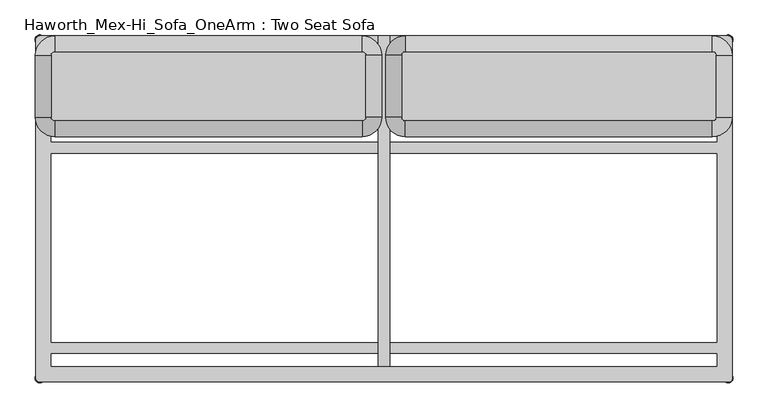
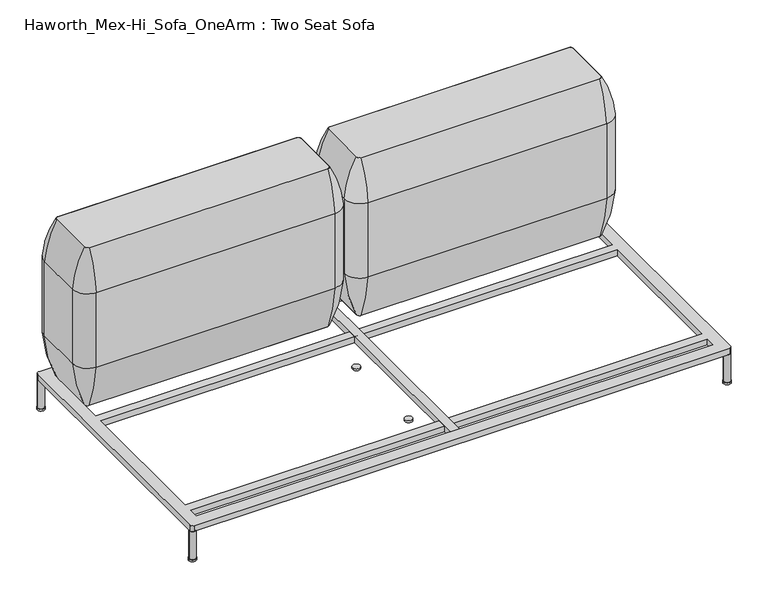
"""IFC4 building model written with IfcOpenShell, lengths in millimetres: furniture geometry, Haworth_Mex-Hi_Sofa_OneArm : Two Seat Sofa."""

from ifc_helpers import new_model, si_unit, point, frame, frame_2d, origin, origin_with_axes, place, context, project, spatial, polyline, circle_curve, ellipse_curve, trimmed, segment, composite_curve, outline, extrude, source, transform, mapped, element, save
from ifc_brep_helpers import plane_surface, cylinder_surface, revolved_surface, advanced_brep


def haworth_mex_hi_sofa_onearm_two_seat_sofa_a5a213db(model_context):
    return source(origin(), model_context, "Body", "SolidModel", [
        extrude(outline(composite_curve([segment(trimmed(circle_curve(frame_2d((-155.4452882, -433.7002937)), 12.5000005), [point((-167.9452886, -433.7002937))], [point((-142.9452877, -433.7002937))], False, "CARTESIAN"), True, "CONTINUOUS"), segment(trimmed(circle_curve(frame_2d((-155.4452882, -433.7002937)), 12.5000005), [point((-142.9452877, -433.7002937))], [point((-167.9452886, -433.7002937))], False, "CARTESIAN"), True, "CONTINUOUS")], self_intersect=False)), origin_with_axes(), (0.0, 0.0, 1.0), 6.0),
        extrude(outline(composite_curve([segment(trimmed(circle_curve(frame_2d((-155.4452882, -133.6667163)), 12.5000005), [point((-167.9452886, -133.6667163))], [point((-142.9452877, -133.6667163))], False, "CARTESIAN"), True, "CONTINUOUS"), segment(trimmed(circle_curve(frame_2d((-155.4452882, -133.6667163)), 12.5000005), [point((-142.9452877, -133.6667163))], [point((-167.9452886, -133.6667163))], False, "CARTESIAN"), True, "CONTINUOUS")], self_intersect=False)), origin_with_axes(), (0.0, 0.0, 1.0), 6.0),
        extrude(outline(polyline([(-169.7406049, -696.2002953), (-169.7406049, 153.6358637), (-139.7406192, 153.6358637), (-139.7406192, -696.2002953), (-169.7406049, -696.2002953)])), frame((0.0, 0.0, 103.6569541), z_axis=(0.0, 0.0, 1.0), x_axis=(1.0, 0.0, 0.0)), (0.0, 0.0, 1.0), 20.3430443),
        extrude(outline(composite_curve([segment(trimmed(circle_curve(frame_2d((-1040.100311, 143.787786)), 12.5000005), [point((-1052.6003115, 143.787786))], [point((-1027.6003105, 143.787786))], False, "CARTESIAN"), True, "CONTINUOUS"), segment(trimmed(circle_curve(frame_2d((-1040.100311, 143.787786)), 12.5000005), [point((-1027.6003105, 143.787786))], [point((-1052.6003115, 143.787786))], False, "CARTESIAN"), True, "CONTINUOUS")], self_intersect=False)), origin_with_axes(), (0.0, 0.0, 1.0), 6.0),
        extrude(outline(composite_curve([segment(trimmed(circle_curve(frame_2d((-1040.100311, -726.2491859)), 12.5000005), [point((-1052.6003115, -726.2491859))], [point((-1027.6003105, -726.2491859))], False, "CARTESIAN"), True, "CONTINUOUS"), segment(trimmed(circle_curve(frame_2d((-1040.100311, -726.2491859)), 12.5000005), [point((-1027.6003105, -726.2491859))], [point((-1052.6003115, -726.2491859))], False, "CARTESIAN"), True, "CONTINUOUS")], self_intersect=False)), origin_with_axes(), (0.0, 0.0, 1.0), 6.0),
        extrude(outline(composite_curve([segment(trimmed(circle_curve(frame_2d((730.7972347, 143.787786)), 12.5000005), [point((718.2972342, 143.787786))], [point((743.2972352, 143.787786))], False, "CARTESIAN"), True, "CONTINUOUS"), segment(trimmed(circle_curve(frame_2d((730.7972347, 143.787786)), 12.5000005), [point((743.2972352, 143.787786))], [point((718.2972342, 143.787786))], False, "CARTESIAN"), True, "CONTINUOUS")], self_intersect=False)), origin_with_axes(), (0.0, 0.0, 1.0), 6.0),
        extrude(outline(composite_curve([segment(trimmed(circle_curve(frame_2d((730.7026028, -726.2033172)), 12.5000005), [point((718.2026024, -726.2033172))], [point((743.2026033, -726.2033172))], False, "CARTESIAN"), True, "CONTINUOUS"), segment(trimmed(circle_curve(frame_2d((730.7026028, -726.2033172)), 12.5000005), [point((743.2026033, -726.2033172))], [point((718.2026024, -726.2033172))], False, "CARTESIAN"), True, "CONTINUOUS")], self_intersect=False)), origin_with_axes(), (0.0, 0.0, 1.0), 6.0),
        extrude(outline(composite_curve([segment(trimmed(circle_curve(frame_2d((-1040.100311, 143.787786)), 10.4664203), [point((-1050.5667314, 143.787786))], [point((-1029.6338907, 143.787786))], False, "CARTESIAN"), True, "CONTINUOUS"), segment(trimmed(circle_curve(frame_2d((-1040.100311, 143.787786)), 10.4664203), [point((-1029.6338907, 143.787786))], [point((-1050.5667314, 143.787786))], False, "CARTESIAN"), True, "CONTINUOUS")], self_intersect=False)), origin_with_axes(), (0.0, 0.0, 1.0), 103.6569541),
        extrude(outline(composite_curve([segment(trimmed(circle_curve(frame_2d((730.7717227, -726.1628448)), 10.4664203), [point((720.3053024, -726.1628448))], [point((741.2381431, -726.1628448))], False, "CARTESIAN"), True, "CONTINUOUS"), segment(trimmed(circle_curve(frame_2d((730.7717227, -726.1628448)), 10.4664203), [point((741.2381431, -726.1628448))], [point((720.3053024, -726.1628448))], False, "CARTESIAN"), True, "CONTINUOUS")], self_intersect=False)), origin_with_axes(), (0.0, 0.0, 1.0), 103.6569541),
        extrude(outline(composite_curve([segment(trimmed(circle_curve(frame_2d((730.8502147, 143.7799368)), 10.4664203), [point((720.3837944, 143.7799368))], [point((741.316635, 143.7799368))], False, "CARTESIAN"), True, "CONTINUOUS"), segment(trimmed(circle_curve(frame_2d((730.8502147, 143.7799368)), 10.4664203), [point((741.316635, 143.7799368))], [point((720.3837944, 143.7799368))], False, "CARTESIAN"), True, "CONTINUOUS")], self_intersect=False)), origin_with_axes(), (0.0, 0.0, 1.0), 103.6569541),
        extrude(outline(composite_curve([segment(trimmed(circle_curve(frame_2d((-1040.0289857, -726.0945909)), 10.4664203), [point((-1050.4954061, -726.0945909))], [point((-1029.5625654, -726.0945909))], False, "CARTESIAN"), True, "CONTINUOUS"), segment(trimmed(circle_curve(frame_2d((-1040.0289857, -726.0945909)), 10.4664203), [point((-1029.5625654, -726.0945909))], [point((-1050.4954061, -726.0945909))], False, "CARTESIAN"), True, "CONTINUOUS")], self_intersect=False)), origin_with_axes(), (0.0, 0.0, 1.0), 103.6569541),
        extrude(outline(composite_curve([segment(polyline([(-1040.5463796, 153.6358637), (731.0651554, 153.6358637)]), True, "CONTINUOUS"), segment(trimmed(circle_curve(frame_2d((731.0651554, 144.0819322)), 9.5539314), [point((731.0651554, 153.6358637))], [point((740.6190868, 144.0819322))], False, "CARTESIAN"), True, "CONTINUOUS"), segment(polyline([(740.6190868, 144.0819322), (740.6190868, -728.9954927)]), True, "CONTINUOUS"), segment(trimmed(circle_curve(frame_2d((733.4261728, -728.9954927)), 7.192914), [point((740.6190868, -728.9954927))], [point((733.4261728, -736.1884068))], False, "CARTESIAN"), True, "CONTINUOUS"), segment(polyline([(733.4261728, -736.1884068), (-1040.2975349, -736.1884068)]), True, "CONTINUOUS"), segment(trimmed(circle_curve(frame_2d((-1040.2975349, -726.3856306)), 9.8027761), [point((-1040.2975349, -736.1884068))], [point((-1050.100311, -726.3856306))], False, "CARTESIAN"), True, "CONTINUOUS"), segment(polyline([(-1050.100311, -726.3856306), (-1050.100311, 144.0819322)]), True, "CONTINUOUS"), segment(trimmed(circle_curve(frame_2d((-1040.5463796, 144.0819322)), 9.5539314), [point((-1050.100311, 144.0819322))], [point((-1040.5463796, 153.6358637))], False, "CARTESIAN"), True, "CONTINUOUS")], self_intersect=False), holes=[polyline([(-1010.1122296, -663.7579623), (-1010.1122296, -696.2002953), (700.7208076, -696.2002953), (700.7208076, -663.7579623), (-1010.1122296, -663.7579623)]), polyline([(-1010.1122296, 113.7997046), (-1010.1122296, 81.2997034), (700.7208076, 81.2997034), (700.7208076, 113.7997046), (-1010.1122296, 113.7997046)]), polyline([(-1010.1122296, -148.700302), (-1010.1122296, -633.7579584), (700.7208076, -633.7579584), (700.7208076, -148.700302), (-1010.1122296, -148.700302)]), polyline([(700.7208076, 51.2996995), (-1010.1122296, 51.2996995), (-1010.1122296, -118.7002981), (700.7208076, -118.7002981), (700.7208076, 51.2996995)])]), frame((0.0, 0.0, 103.6569541), z_axis=(0.0, 0.0, 1.0), x_axis=(1.0, 0.0, 0.0)), (0.0, 0.0, 1.0), 20.3430443),
        advanced_brep(
        [(-1051.4768538, 103.5149266, 283.1115097), (-1051.4768538, -55.2078555, 283.1115097), (-1051.4768538, -55.2078555, 543.4615097), (-1051.4768538, 103.5149266, 543.4615097), (-1010.7505465, 103.5149266, 123.9999984), (-1010.7505465, -55.2078555, 123.9999984), (-1010.7505465, 103.5149266, 676.7599216), (-1010.7505465, -55.2078555, 676.7599216), (-1000.9254713, -105.759238, 283.1115097), (-211.1988444, -105.759238, 283.1115097), (-211.1988444, -105.759238, 543.4615097), (-1000.9254713, -105.759238, 543.4615097), (-1000.9254713, -65.0329307, 123.9999984), (-211.1988444, -65.0329307, 123.9999984), (-1000.9254713, -65.0329307, 676.7599216), (-211.1988444, -65.0329307, 676.7599216), (-160.6474619, -55.2078555, 283.1115097), (-160.6474619, 103.5149266, 283.1115097), (-160.6474619, 103.5149266, 543.4615097), (-160.6474619, -55.2078555, 543.4615097), (-201.3737692, -55.2078555, 123.9999984), (-201.3737692, 103.5149266, 123.9999984), (-201.3737692, -55.2078555, 676.7599216), (-201.3737692, 103.5149266, 676.7599216), (-211.1988444, 154.0663091, 283.1115097), (-1000.9254713, 154.0663091, 283.1115097), (-1000.9254713, 154.0663091, 543.4615097), (-211.1988444, 154.0663091, 543.4615097), (-211.1988444, 113.3400018, 123.9999984), (-1000.9254713, 113.3400018, 123.9999984), (-211.1988444, 113.3400018, 676.7599216), (-1000.9254713, 113.3400018, 676.7599216)],
        [
            (0, 1),
            (1, 2, circle_curve(frame((755.0107884, -55.2078555, 413.2865097), z_axis=(0.0, 1.0, 0.0), x_axis=(-1.0, 0.0, 0.0)), 1811.1717567)),
            (2, 3),
            (3, 0, circle_curve(frame((755.0107884, 103.5149266, 413.2865097), z_axis=(0.0, -1.0, 0.0), x_axis=(-1.0, 0.0, 0.0)), 1811.1717567)),
            (4, 5),
            (5, 1, circle_curve(frame((-590.5337586, -55.2078555, 316.3269417), z_axis=(0.0, 1.0, 0.0), x_axis=(-1.0, 0.0, 0.0)), 462.1382931)),
            (0, 4, circle_curve(frame((-590.5337586, 103.5149266, 316.3269417), z_axis=(0.0, -1.0, 0.0), x_axis=(-1.0, 0.0, 0.0)), 462.1382931)),
            (6, 7),
            (7, 5),
            (4, 6),
            (8, 9),
            (9, 10, circle_curve(frame((-211.1988444, 1700.7284043, 413.2865097), z_axis=(-1.0, 0.0, 0.0), x_axis=(0.0, -1.0, 0.0)), 1811.1717567)),
            (10, 11),
            (11, 8, circle_curve(frame((-1000.9254713, 1700.7284043, 413.2865097), z_axis=(1.0, 0.0, 0.0), x_axis=(0.0, -1.0, 0.0)), 1811.1717567)),
            (12, 13),
            (13, 9, circle_curve(frame((-211.1988444, 355.1838572, 316.3269417), z_axis=(-1.0, 0.0, 0.0), x_axis=(0.0, -1.0, 0.0)), 462.1382931)),
            (8, 12, circle_curve(frame((-1000.9254713, 355.1838572, 316.3269417), z_axis=(1.0, 0.0, 0.0), x_axis=(0.0, -1.0, 0.0)), 462.1382931)),
            (14, 15),
            (15, 13),
            (12, 14),
            (16, 17),
            (17, 18, circle_curve(frame((-1967.1351041, 103.5149266, 413.2865097), z_axis=(0.0, -1.0, 0.0), x_axis=(1.0, 0.0, 0.0)), 1811.1717567)),
            (18, 19),
            (19, 16, circle_curve(frame((-1967.1351041, -55.2078555, 413.2865097), z_axis=(0.0, 1.0, 0.0), x_axis=(1.0, 0.0, 0.0)), 1811.1717567)),
            (20, 21),
            (21, 17, circle_curve(frame((-621.5905571, 103.5149266, 316.3269417), z_axis=(0.0, -1.0, 0.0), x_axis=(1.0, 0.0, 0.0)), 462.1382931)),
            (16, 20, circle_curve(frame((-621.5905571, -55.2078555, 316.3269417), z_axis=(0.0, 1.0, 0.0), x_axis=(1.0, 0.0, 0.0)), 462.1382931)),
            (22, 23),
            (23, 21),
            (20, 22),
            (24, 25),
            (25, 26, circle_curve(frame((-1000.9254713, -1652.4213331, 413.2865097), z_axis=(1.0, 0.0, 0.0), x_axis=(0.0, 1.0, 0.0)), 1811.1717567)),
            (26, 27),
            (27, 24, circle_curve(frame((-211.1988444, -1652.4213331, 413.2865097), z_axis=(-1.0, 0.0, 0.0), x_axis=(0.0, 1.0, 0.0)), 1811.1717567)),
            (28, 29),
            (29, 25, circle_curve(frame((-1000.9254713, -306.8767861, 316.3269417), z_axis=(1.0, 0.0, 0.0), x_axis=(0.0, 1.0, 0.0)), 462.1382931)),
            (24, 28, circle_curve(frame((-211.1988444, -306.8767861, 316.3269417), z_axis=(-1.0, 0.0, 0.0), x_axis=(0.0, 1.0, 0.0)), 462.1382931)),
            (30, 31),
            (31, 29),
            (28, 30),
            (3, 26, circle_curve(frame((-1000.9254713, 103.5149266, 543.4615097), z_axis=(0.0, 0.0, -1.0), x_axis=(0.0, 1.0, 0.0)), 50.5513825)),
            (25, 0, circle_curve(frame((-1000.9254713, 103.5149266, 283.1115097), z_axis=(0.0, 0.0, 1.0), x_axis=(0.0, 1.0, 0.0)), 50.5513825)),
            (29, 4, circle_curve(frame((-1000.9254713, 103.5149266, 123.9999984), z_axis=(0.0, 0.0, 1.0), x_axis=(0.0, 1.0, 0.0)), 9.8250752)),
            (31, 6, circle_curve(frame((-1000.9254713, 103.5149266, 676.7599216), z_axis=(0.0, 0.0, 1.0), x_axis=(0.0, 1.0, 0.0)), 9.8250752)),
            (11, 2, circle_curve(frame((-1000.9254713, -55.2078555, 543.4615097), z_axis=(0.0, 0.0, -1.0), x_axis=(-1.0, 0.0, 0.0)), 50.5513825)),
            (1, 8, circle_curve(frame((-1000.9254713, -55.2078555, 283.1115097), z_axis=(0.0, 0.0, 1.0), x_axis=(-1.0, 0.0, 0.0)), 50.5513825)),
            (5, 12, circle_curve(frame((-1000.9254713, -55.2078555, 123.9999984), z_axis=(0.0, 0.0, 1.0), x_axis=(-1.0, 0.0, 0.0)), 9.8250752)),
            (7, 14, circle_curve(frame((-1000.9254713, -55.2078555, 676.7599216), z_axis=(0.0, 0.0, 1.0), x_axis=(-1.0, 0.0, 0.0)), 9.8250752)),
            (19, 10, circle_curve(frame((-211.1988444, -55.2078555, 543.4615097), z_axis=(0.0, 0.0, -1.0), x_axis=(0.0, -1.0, 0.0)), 50.5513825)),
            (9, 16, circle_curve(frame((-211.1988444, -55.2078555, 283.1115097), z_axis=(0.0, 0.0, 1.0), x_axis=(0.0, -1.0, 0.0)), 50.5513825)),
            (13, 20, circle_curve(frame((-211.1988444, -55.2078555, 123.9999984), z_axis=(0.0, 0.0, 1.0), x_axis=(0.0, -1.0, 0.0)), 9.8250752)),
            (15, 22, circle_curve(frame((-211.1988444, -55.2078555, 676.7599216), z_axis=(0.0, 0.0, 1.0), x_axis=(0.0, -1.0, 0.0)), 9.8250752)),
            (27, 18, circle_curve(frame((-211.1988444, 103.5149266, 543.4615097), z_axis=(0.0, 0.0, -1.0), x_axis=(1.0, 0.0, 0.0)), 50.5513825)),
            (17, 24, circle_curve(frame((-211.1988444, 103.5149266, 283.1115097), z_axis=(0.0, 0.0, 1.0), x_axis=(1.0, 0.0, 0.0)), 50.5513825)),
            (21, 28, circle_curve(frame((-211.1988444, 103.5149266, 123.9999984), z_axis=(0.0, 0.0, 1.0), x_axis=(1.0, 0.0, 0.0)), 9.8250752)),
            (23, 30, circle_curve(frame((-211.1988444, 103.5149266, 676.7599216), z_axis=(0.0, 0.0, 1.0), x_axis=(1.0, 0.0, 0.0)), 9.8250752)),
            (3, 6, circle_curve(frame((-739.3534366, 103.5149266, 520.9699825), z_axis=(0.0, 1.0, 0.0), x_axis=(-1.0, 0.0, 0.0)), 312.9327346)),
            (31, 26, circle_curve(frame((-1000.9254713, -158.0571081, 520.9699825), z_axis=(-1.0, 0.0, 0.0), x_axis=(0.0, 1.0, 0.0)), 312.9327346)),
            (2, 7, circle_curve(frame((-739.3534366, -55.2078555, 520.9699825), z_axis=(0.0, 1.0, 0.0), x_axis=(-1.0, 0.0, 0.0)), 312.9327346)),
            (11, 14, circle_curve(frame((-1000.9254713, 206.3641793, 520.9699825), z_axis=(-1.0, 0.0, 0.0), x_axis=(0.0, -1.0, 0.0)), 312.9327346)),
            (10, 15, circle_curve(frame((-211.1988444, 206.3641793, 520.9699825), z_axis=(-1.0, 0.0, 0.0), x_axis=(0.0, -1.0, 0.0)), 312.9327346)),
            (19, 22, circle_curve(frame((-472.7708791, -55.2078555, 520.9699825), z_axis=(0.0, -1.0, 0.0), x_axis=(1.0, 0.0, 0.0)), 312.9327346)),
            (18, 23, circle_curve(frame((-472.7708791, 103.5149266, 520.9699825), z_axis=(0.0, -1.0, 0.0), x_axis=(1.0, 0.0, 0.0)), 312.9327346)),
            (27, 30, circle_curve(frame((-211.1988444, -158.0571081, 520.9699825), z_axis=(1.0, 0.0, 0.0), x_axis=(0.0, 1.0, 0.0)), 312.9327346)),
        ],
        [
            cylinder_surface(frame((755.0107884, 103.5149266, 413.2865097), z_axis=(0.0, 1.0, 0.0), x_axis=(-1.0, 0.0, 0.0)), 1811.1717567),
            cylinder_surface(frame((-590.5337586, 103.5149266, 316.3269417), z_axis=(0.0, 1.0, 0.0), x_axis=(-1.0, 0.0, 0.0)), 462.1382931),
            plane_surface(frame((-1010.7505465, 103.5149266, 123.9999984), z_axis=(1.0, 0.0, 0.0), x_axis=(0.0, -1.0, 0.0))),
            cylinder_surface(frame((-1000.9254713, 1700.7284043, 413.2865097), z_axis=(-1.0, 0.0, 0.0), x_axis=(0.0, -1.0, 0.0)), 1811.1717567),
            cylinder_surface(frame((-1000.9254713, 355.1838572, 316.3269417), z_axis=(-1.0, 0.0, 0.0), x_axis=(0.0, -1.0, 0.0)), 462.1382931),
            plane_surface(frame((-1000.9254713, -65.0329307, 123.9999984), z_axis=(0.0, 1.0, 0.0), x_axis=(1.0, 0.0, 0.0))),
            cylinder_surface(frame((-1967.1351041, -55.2078555, 413.2865097), z_axis=(0.0, -1.0, 0.0), x_axis=(1.0, 0.0, 0.0)), 1811.1717567),
            cylinder_surface(frame((-621.5905571, -55.2078555, 316.3269417), z_axis=(0.0, -1.0, 0.0), x_axis=(1.0, 0.0, 0.0)), 462.1382931),
            plane_surface(frame((-201.3737692, -55.2078555, 123.9999984), z_axis=(-1.0, 0.0, 0.0), x_axis=(0.0, 1.0, 0.0))),
            cylinder_surface(frame((-211.1988444, -1652.4213331, 413.2865097), z_axis=(1.0, 0.0, 0.0), x_axis=(0.0, 1.0, 0.0)), 1811.1717567),
            cylinder_surface(frame((-211.1988444, -306.8767861, 316.3269417), z_axis=(1.0, 0.0, 0.0), x_axis=(0.0, 1.0, 0.0)), 462.1382931),
            plane_surface(frame((-211.1988444, 113.3400018, 123.9999984), z_axis=(0.0, -1.0, 0.0), x_axis=(-1.0, 0.0, 0.0))),
            revolved_surface(trimmed(ellipse_curve(frame((-1000.9254713, -1652.4213331, 413.2865097), z_axis=(-1.0, 0.0, 0.0), x_axis=(0.0, 1.0, 0.0)), 1811.1717567, 1811.1717567), [point((-1000.9254713, 154.0663091, 543.4615097))], [point((-1000.9254713, 154.0663091, 283.1115097))], True, "CARTESIAN"), (-1000.9254713, 103.5149266, -1.2587073), (0.0, 0.0, -1.0)),
            revolved_surface(trimmed(ellipse_curve(frame((-1000.9254713, -306.8767861, 316.3269417), z_axis=(-1.0, 0.0, 0.0), x_axis=(0.0, 1.0, 0.0)), 462.1382931, 462.1382931), [point((-1000.9254713, 154.0663091, 283.1115097))], [point((-1000.9254713, 113.3400018, 123.9999984))], True, "CARTESIAN"), (-1000.9254713, 103.5149266, -1.2587073), (0.0, 0.0, -1.0)),
            revolved_surface(polyline([(-1000.9254713, 113.3400018, 123.9999984), (-1000.9254713, 113.3400018, 676.7599216)]), (-1000.9254713, 103.5149266, -1.2587073), (0.0, 0.0, -1.0)),
            revolved_surface(trimmed(ellipse_curve(frame((755.0107884, -55.2078555, 413.2865097), z_axis=(0.0, -1.0, 0.0), x_axis=(-1.0, 0.0, 0.0)), 1811.1717567, 1811.1717567), [point((-1051.4768538, -55.2078555, 543.4615097))], [point((-1051.4768538, -55.2078555, 283.1115097))], True, "CARTESIAN"), (-1000.9254713, -55.2078555, -1.2587073), (0.0, 0.0, -1.0)),
            revolved_surface(trimmed(ellipse_curve(frame((-590.5337586, -55.2078555, 316.3269417), z_axis=(0.0, -1.0, 0.0), x_axis=(-1.0, 0.0, 0.0)), 462.1382931, 462.1382931), [point((-1051.4768538, -55.2078555, 283.1115097))], [point((-1010.7505465, -55.2078555, 123.9999984))], True, "CARTESIAN"), (-1000.9254713, -55.2078555, -1.2587073), (0.0, 0.0, -1.0)),
            revolved_surface(polyline([(-1010.7505465, -55.2078555, 123.9999984), (-1010.7505465, -55.2078555, 676.7599216)]), (-1000.9254713, -55.2078555, -1.2587073), (0.0, 0.0, -1.0)),
            revolved_surface(trimmed(ellipse_curve(frame((-211.1988444, 1700.7284043, 413.2865097), z_axis=(1.0, 0.0, 0.0), x_axis=(0.0, -1.0, 0.0)), 1811.1717567, 1811.1717567), [point((-211.1988444, -105.759238, 543.4615097))], [point((-211.1988444, -105.759238, 283.1115097))], True, "CARTESIAN"), (-211.1988444, -55.2078555, -1.2587073), (0.0, 0.0, -1.0)),
            revolved_surface(trimmed(ellipse_curve(frame((-211.1988444, 355.1838572, 316.3269417), z_axis=(1.0, 0.0, 0.0), x_axis=(0.0, -1.0, 0.0)), 462.1382931, 462.1382931), [point((-211.1988444, -105.759238, 283.1115097))], [point((-211.1988444, -65.0329307, 123.9999984))], True, "CARTESIAN"), (-211.1988444, -55.2078555, -1.2587073), (0.0, 0.0, -1.0)),
            revolved_surface(polyline([(-211.1988444, -65.03293070000001, 123.9999984), (-211.1988444, -65.03293070000001, 676.7599216)]), (-211.1988444, -55.2078555, -1.2587073), (0.0, 0.0, -1.0)),
            revolved_surface(trimmed(ellipse_curve(frame((-1967.1351041, 103.5149266, 413.2865097), z_axis=(0.0, 1.0, 0.0), x_axis=(1.0, 0.0, 0.0)), 1811.1717567, 1811.1717567), [point((-160.6474619, 103.5149266, 543.4615097))], [point((-160.6474619, 103.5149266, 283.1115097))], True, "CARTESIAN"), (-211.1988444, 103.5149266, -1.2587073), (0.0, 0.0, -1.0)),
            revolved_surface(trimmed(ellipse_curve(frame((-621.5905571, 103.5149266, 316.3269417), z_axis=(0.0, 1.0, 0.0), x_axis=(1.0, 0.0, 0.0)), 462.1382931, 462.1382931), [point((-160.6474619, 103.5149266, 283.1115097))], [point((-201.3737692, 103.5149266, 123.9999984))], True, "CARTESIAN"), (-211.1988444, 103.5149266, -1.2587073), (0.0, 0.0, -1.0)),
            revolved_surface(polyline([(-201.37376920000003, 103.5149266, 123.9999984), (-201.37376920000003, 103.5149266, 676.7599216)]), (-211.1988444, 103.5149266, -1.2587073), (0.0, 0.0, -1.0)),
            revolved_surface(trimmed(ellipse_curve(frame((-1000.9254713, -158.0571081, 520.9699825), z_axis=(-1.0, 0.0, 0.0), x_axis=(0.0, 1.0, 0.0)), 312.9327346, 312.9327346), [point((-1000.9254713, 113.3400018, 676.7599216))], [point((-1000.9254713, 154.0663091, 543.4615097))], True, "CARTESIAN"), (-1000.9254713, 103.5149266, -1.2587073), (0.0, 0.0, -1.0)),
            cylinder_surface(frame((-739.3534366, 103.5149266, 520.9699825), z_axis=(0.0, 1.0, 0.0), x_axis=(-1.0, 0.0, 0.0)), 312.9327346),
            revolved_surface(trimmed(ellipse_curve(frame((-739.3534366, -55.2078555, 520.9699825), z_axis=(0.0, -1.0, 0.0), x_axis=(-1.0, 0.0, 0.0)), 312.9327346, 312.9327346), [point((-1010.7505465, -55.2078555, 676.7599216))], [point((-1051.4768538, -55.2078555, 543.4615097))], True, "CARTESIAN"), (-1000.9254713, -55.2078555, -1.2587073), (0.0, 0.0, -1.0)),
            cylinder_surface(frame((-1000.9254713, 206.3641793, 520.9699825), z_axis=(-1.0, 0.0, 0.0), x_axis=(0.0, -1.0, 0.0)), 312.9327346),
            revolved_surface(trimmed(ellipse_curve(frame((-211.1988444, 206.3641793, 520.9699825), z_axis=(1.0, 0.0, 0.0), x_axis=(0.0, -1.0, 0.0)), 312.9327346, 312.9327346), [point((-211.1988444, -65.0329307, 676.7599216))], [point((-211.1988444, -105.759238, 543.4615097))], True, "CARTESIAN"), (-211.1988444, -55.2078555, -1.2587073), (0.0, 0.0, -1.0)),
            cylinder_surface(frame((-472.7708791, -55.2078555, 520.9699825), z_axis=(0.0, -1.0, 0.0), x_axis=(1.0, 0.0, 0.0)), 312.9327346),
            revolved_surface(trimmed(ellipse_curve(frame((-472.7708791, 103.5149266, 520.9699825), z_axis=(0.0, 1.0, 0.0), x_axis=(1.0, 0.0, 0.0)), 312.9327346, 312.9327346), [point((-201.3737692, 103.5149266, 676.7599216))], [point((-160.6474619, 103.5149266, 543.4615097))], True, "CARTESIAN"), (-211.1988444, 103.5149266, -1.2587073), (0.0, 0.0, -1.0)),
            cylinder_surface(frame((-211.1988444, -158.0571081, 520.9699825), z_axis=(1.0, 0.0, 0.0), x_axis=(0.0, 1.0, 0.0)), 312.9327346),
        ],
        [
            (0, [[1, 2, 3, 4]]),
            (1, [[5, 6, -1, 7]]),
            (2, [[8, 9, -5, 10]]),
            (3, [[11, 12, 13, 14]]),
            (4, [[15, 16, -11, 17]]),
            (5, [[18, 19, -15, 20]]),
            (6, [[21, 22, 23, 24]]),
            (7, [[25, 26, -21, 27]]),
            (8, [[28, 29, -25, 30]]),
            (9, [[31, 32, 33, 34]]),
            (10, [[35, 36, -31, 37]]),
            (11, [[38, 39, -35, 40]]),
            (12, [[-4, 41, -32, 42]]),
            (13, [[-7, -42, -36, 43]]),
            (14, [[-10, -43, -39, 44]]),
            (15, [[-14, 45, -2, 46]]),
            (16, [[-17, -46, -6, 47]]),
            (17, [[-20, -47, -9, 48]]),
            (18, [[-24, 49, -12, 50]]),
            (19, [[-27, -50, -16, 51]]),
            (20, [[-30, -51, -19, 52]]),
            (21, [[-34, 53, -22, 54]]),
            (22, [[-37, -54, -26, 55]]),
            (23, [[-40, -55, -29, 56]]),
            (24, [[57, -44, 58, -41]]),
            (25, [[-3, 59, -8, -57]]),
            (26, [[60, -48, -59, -45]]),
            (27, [[-13, 61, -18, -60]]),
            (28, [[62, -52, -61, -49]]),
            (29, [[-23, 63, -28, -62]]),
            (30, [[64, -56, -63, -53]]),
            (31, [[-33, -58, -38, -64]]),
        ],
    ),
        extrude(outline(composite_curve([segment(trimmed(circle_curve(frame_2d((-211.1988444, -55.2078555)), 9.8250752), [point((-201.3737692, -55.2078555))], [point((-211.1988444, -65.0329307))], False, "CARTESIAN"), True, "CONTINUOUS"), segment(polyline([(-211.1988444, -65.0329307), (-1000.9254713, -65.0329307)]), True, "CONTINUOUS"), segment(trimmed(circle_curve(frame_2d((-1000.9254713, -55.2078555)), 9.8250752), [point((-1000.9254713, -65.0329307))], [point((-1010.7505465, -55.2078555))], False, "CARTESIAN"), True, "CONTINUOUS"), segment(polyline([(-1010.7505465, -55.2078555), (-1010.7505465, 103.5149266)]), True, "CONTINUOUS"), segment(trimmed(circle_curve(frame_2d((-1000.9254713, 103.5149266)), 9.8250752), [point((-1010.7505465, 103.5149266))], [point((-1000.9254713, 113.3400018))], False, "CARTESIAN"), True, "CONTINUOUS"), segment(polyline([(-1000.9254713, 113.3400018), (-211.1988444, 113.3400018)]), True, "CONTINUOUS"), segment(trimmed(circle_curve(frame_2d((-211.1988444, 103.5149266)), 9.8250752), [point((-211.1988444, 113.3400018))], [point((-201.3737692, 103.5149266))], False, "CARTESIAN"), True, "CONTINUOUS"), segment(polyline([(-201.3737692, 103.5149266), (-201.3737692, -55.2078555)]), True, "CONTINUOUS")], self_intersect=False)), frame((0.0, 0.0, 123.9999984), z_axis=(0.0, 0.0, 1.0), x_axis=(1.0, 0.0, 0.0)), (0.0, 0.0, 1.0), 552.7599232),
        advanced_brep(
        [(740.5862775, 103.5149266, 283.1115097), (740.5862775, 103.5149266, 543.4615097), (740.5862775, -55.2078555, 543.4615097), (740.5862775, -55.2078555, 283.1115097), (699.8599702, 103.5149266, 123.9999984), (699.8599702, -55.2078555, 123.9999984), (699.8599702, 103.5149266, 676.7599216), (699.8599702, -55.2078555, 676.7599216), (690.034895, -105.759238, 283.1115097), (690.034895, -105.759238, 543.4615097), (-99.6917319, -105.759238, 543.4615097), (-99.6917319, -105.759238, 283.1115097), (690.034895, -65.0329307, 123.9999984), (-99.6917319, -65.0329307, 123.9999984), (690.034895, -65.0329307, 676.7599216), (-99.6917319, -65.0329307, 676.7599216), (-150.2431144, -55.2078555, 283.1115097), (-150.2431144, -55.2078555, 543.4615097), (-150.2431144, 103.5149266, 543.4615097), (-150.2431144, 103.5149266, 283.1115097), (-109.5168071, -55.2078555, 123.9999984), (-109.5168071, 103.5149266, 123.9999984), (-109.5168071, -55.2078555, 676.7599216), (-109.5168071, 103.5149266, 676.7599216), (-99.6917319, 154.0663091, 283.1115097), (-99.6917319, 154.0663091, 543.4615097), (690.034895, 154.0663091, 543.4615097), (690.034895, 154.0663091, 283.1115097), (-99.6917319, 113.3400018, 123.9999984), (690.034895, 113.3400018, 123.9999984), (-99.6917319, 113.3400018, 676.7599216), (690.034895, 113.3400018, 676.7599216)],
        [
            (0, 1, circle_curve(frame((-1065.9013647, 103.5149266, 413.2865097), z_axis=(0.0, -1.0, 0.0), x_axis=(1.0, 0.0, 0.0)), 1811.1717567)),
            (1, 2),
            (2, 3, circle_curve(frame((-1065.9013647, -55.2078555, 413.2865097), z_axis=(0.0, 1.0, 0.0), x_axis=(1.0, 0.0, 0.0)), 1811.1717567)),
            (3, 0),
            (4, 0, circle_curve(frame((279.6431823, 103.5149266, 316.3269417), z_axis=(0.0, -1.0, 0.0), x_axis=(1.0, 0.0, 0.0)), 462.1382931)),
            (3, 5, circle_curve(frame((279.6431823, -55.2078555, 316.3269417), z_axis=(0.0, 1.0, 0.0), x_axis=(1.0, 0.0, 0.0)), 462.1382931)),
            (5, 4),
            (6, 4),
            (5, 7),
            (7, 6),
            (8, 9, circle_curve(frame((690.034895, 1700.7284043, 413.2865097), z_axis=(-1.0, 0.0, 0.0), x_axis=(0.0, -1.0, 0.0)), 1811.1717567)),
            (9, 10),
            (10, 11, circle_curve(frame((-99.6917319, 1700.7284043, 413.2865097), z_axis=(1.0, 0.0, 0.0), x_axis=(0.0, -1.0, 0.0)), 1811.1717567)),
            (11, 8),
            (12, 8, circle_curve(frame((690.034895, 355.1838572, 316.3269417), z_axis=(-1.0, 0.0, 0.0), x_axis=(0.0, -1.0, 0.0)), 462.1382931)),
            (11, 13, circle_curve(frame((-99.6917319, 355.1838572, 316.3269417), z_axis=(1.0, 0.0, 0.0), x_axis=(0.0, -1.0, 0.0)), 462.1382931)),
            (13, 12),
            (14, 12),
            (13, 15),
            (15, 14),
            (16, 17, circle_curve(frame((1656.2445278, -55.2078555, 413.2865097), z_axis=(0.0, 1.0, 0.0), x_axis=(-1.0, 0.0, 0.0)), 1811.1717567)),
            (17, 18),
            (18, 19, circle_curve(frame((1656.2445278, 103.5149266, 413.2865097), z_axis=(0.0, -1.0, 0.0), x_axis=(-1.0, 0.0, 0.0)), 1811.1717567)),
            (19, 16),
            (20, 16, circle_curve(frame((310.6999808, -55.2078555, 316.3269417), z_axis=(0.0, 1.0, 0.0), x_axis=(-1.0, 0.0, 0.0)), 462.1382931)),
            (19, 21, circle_curve(frame((310.6999808, 103.5149266, 316.3269417), z_axis=(0.0, -1.0, 0.0), x_axis=(-1.0, 0.0, 0.0)), 462.1382931)),
            (21, 20),
            (22, 20),
            (21, 23),
            (23, 22),
            (24, 25, circle_curve(frame((-99.6917319, -1652.4213331, 413.2865097), z_axis=(1.0, 0.0, 0.0), x_axis=(0.0, 1.0, 0.0)), 1811.1717567)),
            (25, 26),
            (26, 27, circle_curve(frame((690.034895, -1652.4213331, 413.2865097), z_axis=(-1.0, 0.0, 0.0), x_axis=(0.0, 1.0, 0.0)), 1811.1717567)),
            (27, 24),
            (28, 24, circle_curve(frame((-99.6917319, -306.8767861, 316.3269417), z_axis=(1.0, 0.0, 0.0), x_axis=(0.0, 1.0, 0.0)), 462.1382931)),
            (27, 29, circle_curve(frame((690.034895, -306.8767861, 316.3269417), z_axis=(-1.0, 0.0, 0.0), x_axis=(0.0, 1.0, 0.0)), 462.1382931)),
            (29, 28),
            (30, 28),
            (29, 31),
            (31, 30),
            (0, 27, circle_curve(frame((690.034895, 103.5149266, 283.1115097), z_axis=(0.0, 0.0, 1.0), x_axis=(0.0, 1.0, 0.0)), 50.5513825)),
            (26, 1, circle_curve(frame((690.034895, 103.5149266, 543.4615097), z_axis=(0.0, 0.0, -1.0), x_axis=(0.0, 1.0, 0.0)), 50.5513825)),
            (4, 29, circle_curve(frame((690.034895, 103.5149266, 123.9999984), z_axis=(0.0, 0.0, 1.0), x_axis=(0.0, 1.0, 0.0)), 9.8250752)),
            (6, 31, circle_curve(frame((690.034895, 103.5149266, 676.7599216), z_axis=(0.0, 0.0, 1.0), x_axis=(0.0, 1.0, 0.0)), 9.8250752)),
            (8, 3, circle_curve(frame((690.034895, -55.2078555, 283.1115097), z_axis=(0.0, 0.0, 1.0), x_axis=(1.0, 0.0, 0.0)), 50.5513825)),
            (2, 9, circle_curve(frame((690.034895, -55.2078555, 543.4615097), z_axis=(0.0, 0.0, -1.0), x_axis=(1.0, 0.0, 0.0)), 50.5513825)),
            (12, 5, circle_curve(frame((690.034895, -55.2078555, 123.9999984), z_axis=(0.0, 0.0, 1.0), x_axis=(1.0, 0.0, 0.0)), 9.8250752)),
            (14, 7, circle_curve(frame((690.034895, -55.2078555, 676.7599216), z_axis=(0.0, 0.0, 1.0), x_axis=(1.0, 0.0, 0.0)), 9.8250752)),
            (16, 11, circle_curve(frame((-99.6917319, -55.2078555, 283.1115097), z_axis=(0.0, 0.0, 1.0), x_axis=(0.0, -1.0, 0.0)), 50.5513825)),
            (10, 17, circle_curve(frame((-99.6917319, -55.2078555, 543.4615097), z_axis=(0.0, 0.0, -1.0), x_axis=(0.0, -1.0, 0.0)), 50.5513825)),
            (20, 13, circle_curve(frame((-99.6917319, -55.2078555, 123.9999984), z_axis=(0.0, 0.0, 1.0), x_axis=(0.0, -1.0, 0.0)), 9.8250752)),
            (22, 15, circle_curve(frame((-99.6917319, -55.2078555, 676.7599216), z_axis=(0.0, 0.0, 1.0), x_axis=(0.0, -1.0, 0.0)), 9.8250752)),
            (24, 19, circle_curve(frame((-99.6917319, 103.5149266, 283.1115097), z_axis=(0.0, 0.0, 1.0), x_axis=(-1.0, 0.0, 0.0)), 50.5513825)),
            (18, 25, circle_curve(frame((-99.6917319, 103.5149266, 543.4615097), z_axis=(0.0, 0.0, -1.0), x_axis=(-1.0, 0.0, 0.0)), 50.5513825)),
            (28, 21, circle_curve(frame((-99.6917319, 103.5149266, 123.9999984), z_axis=(0.0, 0.0, 1.0), x_axis=(-1.0, 0.0, 0.0)), 9.8250752)),
            (30, 23, circle_curve(frame((-99.6917319, 103.5149266, 676.7599216), z_axis=(0.0, 0.0, 1.0), x_axis=(-1.0, 0.0, 0.0)), 9.8250752)),
            (26, 31, circle_curve(frame((690.034895, -158.0571081, 520.9699825), z_axis=(1.0, 0.0, 0.0), x_axis=(0.0, 1.0, 0.0)), 312.9327346)),
            (6, 1, circle_curve(frame((428.4628603, 103.5149266, 520.9699825), z_axis=(0.0, 1.0, 0.0), x_axis=(1.0, 0.0, 0.0)), 312.9327346)),
            (7, 2, circle_curve(frame((428.4628603, -55.2078555, 520.9699825), z_axis=(0.0, 1.0, 0.0), x_axis=(1.0, 0.0, 0.0)), 312.9327346)),
            (14, 9, circle_curve(frame((690.034895, 206.3641793, 520.9699825), z_axis=(1.0, 0.0, 0.0), x_axis=(0.0, -1.0, 0.0)), 312.9327346)),
            (15, 10, circle_curve(frame((-99.6917319, 206.3641793, 520.9699825), z_axis=(1.0, 0.0, 0.0), x_axis=(0.0, -1.0, 0.0)), 312.9327346)),
            (22, 17, circle_curve(frame((161.8803028, -55.2078555, 520.9699825), z_axis=(0.0, -1.0, 0.0), x_axis=(-1.0, 0.0, 0.0)), 312.9327346)),
            (23, 18, circle_curve(frame((161.8803028, 103.5149266, 520.9699825), z_axis=(0.0, -1.0, 0.0), x_axis=(-1.0, 0.0, 0.0)), 312.9327346)),
            (30, 25, circle_curve(frame((-99.6917319, -158.0571081, 520.9699825), z_axis=(-1.0, 0.0, 0.0), x_axis=(0.0, 1.0, 0.0)), 312.9327346)),
        ],
        [
            cylinder_surface(frame((-1065.9013647, 103.5149266, 413.2865097), z_axis=(0.0, 1.0, 0.0), x_axis=(1.0, 0.0, 0.0)), 1811.1717567),
            cylinder_surface(frame((279.6431823, 103.5149266, 316.3269417), z_axis=(0.0, 1.0, 0.0), x_axis=(1.0, 0.0, 0.0)), 462.1382931),
            plane_surface(frame((699.8599702, 103.5149266, 123.9999984), z_axis=(-1.0, 0.0, 0.0), x_axis=(0.0, -1.0, 0.0))),
            cylinder_surface(frame((690.034895, 1700.7284043, 413.2865097), z_axis=(1.0, 0.0, 0.0), x_axis=(0.0, -1.0, 0.0)), 1811.1717567),
            cylinder_surface(frame((690.034895, 355.1838572, 316.3269417), z_axis=(1.0, 0.0, 0.0), x_axis=(0.0, -1.0, 0.0)), 462.1382931),
            plane_surface(frame((690.034895, -65.0329307, 123.9999984), z_axis=(0.0, 1.0, 0.0), x_axis=(-1.0, 0.0, 0.0))),
            cylinder_surface(frame((1656.2445278, -55.2078555, 413.2865097), z_axis=(0.0, -1.0, 0.0), x_axis=(-1.0, 0.0, 0.0)), 1811.1717567),
            cylinder_surface(frame((310.6999808, -55.2078555, 316.3269417), z_axis=(0.0, -1.0, 0.0), x_axis=(-1.0, 0.0, 0.0)), 462.1382931),
            plane_surface(frame((-109.5168071, -55.2078555, 123.9999984), z_axis=(1.0, 0.0, 0.0), x_axis=(0.0, 1.0, 0.0))),
            cylinder_surface(frame((-99.6917319, -1652.4213331, 413.2865097), z_axis=(-1.0, 0.0, 0.0), x_axis=(0.0, 1.0, 0.0)), 1811.1717567),
            cylinder_surface(frame((-99.6917319, -306.8767861, 316.3269417), z_axis=(-1.0, 0.0, 0.0), x_axis=(0.0, 1.0, 0.0)), 462.1382931),
            plane_surface(frame((-99.6917319, 113.3400018, 123.9999984), z_axis=(0.0, -1.0, 0.0), x_axis=(1.0, 0.0, 0.0))),
            revolved_surface(trimmed(ellipse_curve(frame((690.034895, -1652.4213331, 413.2865097), z_axis=(-1.0, 0.0, 0.0), x_axis=(0.0, 1.0, 0.0)), 1811.1717567, 1811.1717567), [point((690.034895, 154.0663091, 543.4615097))], [point((690.034895, 154.0663091, 283.1115097))], True, "CARTESIAN"), (690.034895, 103.5149266, -1.2587073), (0.0, 0.0, -1.0)),
            revolved_surface(trimmed(ellipse_curve(frame((690.034895, -306.8767861, 316.3269417), z_axis=(-1.0, 0.0, 0.0), x_axis=(0.0, 1.0, 0.0)), 462.1382931, 462.1382931), [point((690.034895, 154.0663091, 283.1115097))], [point((690.034895, 113.3400018, 123.9999984))], True, "CARTESIAN"), (690.034895, 103.5149266, -1.2587073), (0.0, 0.0, -1.0)),
            revolved_surface(polyline([(690.034895, 113.3400018, 123.9999984), (690.034895, 113.3400018, 676.7599216)]), (690.034895, 103.5149266, -1.2587073), (0.0, 0.0, -1.0)),
            revolved_surface(trimmed(ellipse_curve(frame((-1065.9013647, -55.2078555, 413.2865097), z_axis=(0.0, 1.0, 0.0), x_axis=(1.0, 0.0, 0.0)), 1811.1717567, 1811.1717567), [point((740.5862775, -55.2078555, 543.4615097))], [point((740.5862775, -55.2078555, 283.1115097))], True, "CARTESIAN"), (690.034895, -55.2078555, -1.2587073), (0.0, 0.0, -1.0)),
            revolved_surface(trimmed(ellipse_curve(frame((279.6431823, -55.2078555, 316.3269417), z_axis=(0.0, 1.0, 0.0), x_axis=(1.0, 0.0, 0.0)), 462.1382931, 462.1382931), [point((740.5862775, -55.2078555, 283.1115097))], [point((699.8599702, -55.2078555, 123.9999984))], True, "CARTESIAN"), (690.034895, -55.2078555, -1.2587073), (0.0, 0.0, -1.0)),
            revolved_surface(polyline([(699.8599702, -55.2078555, 123.9999984), (699.8599702, -55.2078555, 676.7599216)]), (690.034895, -55.2078555, -1.2587073), (0.0, 0.0, -1.0)),
            revolved_surface(trimmed(ellipse_curve(frame((-99.6917319, 1700.7284043, 413.2865097), z_axis=(1.0, 0.0, 0.0), x_axis=(0.0, -1.0, 0.0)), 1811.1717567, 1811.1717567), [point((-99.6917319, -105.759238, 543.4615097))], [point((-99.6917319, -105.759238, 283.1115097))], True, "CARTESIAN"), (-99.6917319, -55.2078555, -1.2587073), (0.0, 0.0, -1.0)),
            revolved_surface(trimmed(ellipse_curve(frame((-99.6917319, 355.1838572, 316.3269417), z_axis=(1.0, 0.0, 0.0), x_axis=(0.0, -1.0, 0.0)), 462.1382931, 462.1382931), [point((-99.6917319, -105.759238, 283.1115097))], [point((-99.6917319, -65.0329307, 123.9999984))], True, "CARTESIAN"), (-99.6917319, -55.2078555, -1.2587073), (0.0, 0.0, -1.0)),
            revolved_surface(polyline([(-99.6917319, -65.03293070000001, 123.9999984), (-99.6917319, -65.03293070000001, 676.7599216)]), (-99.6917319, -55.2078555, -1.2587073), (0.0, 0.0, -1.0)),
            revolved_surface(trimmed(ellipse_curve(frame((1656.2445278, 103.5149266, 413.2865097), z_axis=(0.0, -1.0, 0.0), x_axis=(-1.0, 0.0, 0.0)), 1811.1717567, 1811.1717567), [point((-150.2431144, 103.5149266, 543.4615097))], [point((-150.2431144, 103.5149266, 283.1115097))], True, "CARTESIAN"), (-99.6917319, 103.5149266, -1.2587073), (0.0, 0.0, -1.0)),
            revolved_surface(trimmed(ellipse_curve(frame((310.6999808, 103.5149266, 316.3269417), z_axis=(0.0, -1.0, 0.0), x_axis=(-1.0, 0.0, 0.0)), 462.1382931, 462.1382931), [point((-150.2431144, 103.5149266, 283.1115097))], [point((-109.5168071, 103.5149266, 123.9999984))], True, "CARTESIAN"), (-99.6917319, 103.5149266, -1.2587073), (0.0, 0.0, -1.0)),
            revolved_surface(polyline([(-109.5168071, 103.5149266, 123.9999984), (-109.5168071, 103.5149266, 676.7599216)]), (-99.6917319, 103.5149266, -1.2587073), (0.0, 0.0, -1.0)),
            revolved_surface(trimmed(ellipse_curve(frame((690.034895, -158.0571081, 520.9699825), z_axis=(-1.0, 0.0, 0.0), x_axis=(0.0, 1.0, 0.0)), 312.9327346, 312.9327346), [point((690.034895, 113.3400018, 676.7599216))], [point((690.034895, 154.0663091, 543.4615097))], True, "CARTESIAN"), (690.034895, 103.5149266, -1.2587073), (0.0, 0.0, -1.0)),
            cylinder_surface(frame((428.4628603, 103.5149266, 520.9699825), z_axis=(0.0, 1.0, 0.0), x_axis=(1.0, 0.0, 0.0)), 312.9327346),
            revolved_surface(trimmed(ellipse_curve(frame((428.4628603, -55.2078555, 520.9699825), z_axis=(0.0, 1.0, 0.0), x_axis=(1.0, 0.0, 0.0)), 312.9327346, 312.9327346), [point((699.8599702, -55.2078555, 676.7599216))], [point((740.5862775, -55.2078555, 543.4615097))], True, "CARTESIAN"), (690.034895, -55.2078555, -1.2587073), (0.0, 0.0, -1.0)),
            cylinder_surface(frame((690.034895, 206.3641793, 520.9699825), z_axis=(1.0, 0.0, 0.0), x_axis=(0.0, -1.0, 0.0)), 312.9327346),
            revolved_surface(trimmed(ellipse_curve(frame((-99.6917319, 206.3641793, 520.9699825), z_axis=(1.0, 0.0, 0.0), x_axis=(0.0, -1.0, 0.0)), 312.9327346, 312.9327346), [point((-99.6917319, -65.0329307, 676.7599216))], [point((-99.6917319, -105.759238, 543.4615097))], True, "CARTESIAN"), (-99.6917319, -55.2078555, -1.2587073), (0.0, 0.0, -1.0)),
            cylinder_surface(frame((161.8803028, -55.2078555, 520.9699825), z_axis=(0.0, -1.0, 0.0), x_axis=(-1.0, 0.0, 0.0)), 312.9327346),
            revolved_surface(trimmed(ellipse_curve(frame((161.8803028, 103.5149266, 520.9699825), z_axis=(0.0, -1.0, 0.0), x_axis=(-1.0, 0.0, 0.0)), 312.9327346, 312.9327346), [point((-109.5168071, 103.5149266, 676.7599216))], [point((-150.2431144, 103.5149266, 543.4615097))], True, "CARTESIAN"), (-99.6917319, 103.5149266, -1.2587073), (0.0, 0.0, -1.0)),
            cylinder_surface(frame((-99.6917319, -158.0571081, 520.9699825), z_axis=(-1.0, 0.0, 0.0), x_axis=(0.0, 1.0, 0.0)), 312.9327346),
        ],
        [
            (0, [[1, 2, 3, 4]]),
            (1, [[5, -4, 6, 7]]),
            (2, [[8, -7, 9, 10]]),
            (3, [[11, 12, 13, 14]]),
            (4, [[15, -14, 16, 17]]),
            (5, [[18, -17, 19, 20]]),
            (6, [[21, 22, 23, 24]]),
            (7, [[25, -24, 26, 27]]),
            (8, [[28, -27, 29, 30]]),
            (9, [[31, 32, 33, 34]]),
            (10, [[35, -34, 36, 37]]),
            (11, [[38, -37, 39, 40]]),
            (12, [[41, -33, 42, -1]]),
            (13, [[43, -36, -41, -5]]),
            (14, [[44, -39, -43, -8]]),
            (15, [[45, -3, 46, -11]]),
            (16, [[47, -6, -45, -15]]),
            (17, [[48, -9, -47, -18]]),
            (18, [[49, -13, 50, -21]]),
            (19, [[51, -16, -49, -25]]),
            (20, [[52, -19, -51, -28]]),
            (21, [[53, -23, 54, -31]]),
            (22, [[55, -26, -53, -35]]),
            (23, [[56, -29, -55, -38]]),
            (24, [[-42, 57, -44, 58]]),
            (25, [[-58, -10, 59, -2]]),
            (26, [[-46, -59, -48, 60]]),
            (27, [[-60, -20, 61, -12]]),
            (28, [[-50, -61, -52, 62]]),
            (29, [[-62, -30, 63, -22]]),
            (30, [[-54, -63, -56, 64]]),
            (31, [[-64, -40, -57, -32]]),
        ],
    ),
        extrude(outline(composite_curve([segment(polyline([(-109.5168071, -55.2078555), (-109.5168071, 103.5149266)]), True, "CONTINUOUS"), segment(trimmed(circle_curve(frame_2d((-99.6917319, 103.5149266)), 9.8250752), [point((-109.5168071, 103.5149266))], [point((-99.6917319, 113.3400018))], False, "CARTESIAN"), True, "CONTINUOUS"), segment(polyline([(-99.6917319, 113.3400018), (690.034895, 113.3400018)]), True, "CONTINUOUS"), segment(trimmed(circle_curve(frame_2d((690.034895, 103.5149266)), 9.8250752), [point((690.034895, 113.3400018))], [point((699.8599702, 103.5149266))], False, "CARTESIAN"), True, "CONTINUOUS"), segment(polyline([(699.8599702, 103.5149266), (699.8599702, -55.2078555)]), True, "CONTINUOUS"), segment(trimmed(circle_curve(frame_2d((690.034895, -55.2078555)), 9.8250752), [point((699.8599702, -55.2078555))], [point((690.034895, -65.0329307))], False, "CARTESIAN"), True, "CONTINUOUS"), segment(polyline([(690.034895, -65.0329307), (-99.6917319, -65.0329307)]), True, "CONTINUOUS"), segment(trimmed(circle_curve(frame_2d((-99.6917319, -55.2078555)), 9.8250752), [point((-99.6917319, -65.0329307))], [point((-109.5168071, -55.2078555))], False, "CARTESIAN"), True, "CONTINUOUS")], self_intersect=False)), frame((0.0, 0.0, 123.9999984), z_axis=(0.0, 0.0, 1.0), x_axis=(1.0, 0.0, 0.0)), (0.0, 0.0, 1.0), 552.7599232),
    ])


if __name__ == "__main__":
    model = new_model("IFC4")
    model_context = context("Model", 3, world=origin())
    ifc_project = project(units=[si_unit("LENGTHUNIT", "METRE", prefix="MILLI")], contexts=[model_context])
    site = spatial("IfcSite", under=ifc_project)
    building = spatial("IfcBuilding", under=site)
    placement = place(None, origin())
    haworth_mex_hi_sofa_onearm_two_seat_sofa_shape = haworth_mex_hi_sofa_onearm_two_seat_sofa_a5a213db(model_context)
    element("IfcFurniture", 1, ObjectType="Haworth_Mex-Hi_Sofa_OneArm : Two Seat Sofa", at=placement, inside=building, context=model_context, shape_type="MappedRepresentation", body=[
        mapped(haworth_mex_hi_sofa_onearm_two_seat_sofa_shape, transform((0.0, 0.0, 0.0), x_axis=(1.0, 0.0, 0.0), y_axis=(0.0, 1.0, 0.0), z_axis=(0.0, 0.0, 1.0))),
    ])
    save(model, "model.ifc")
